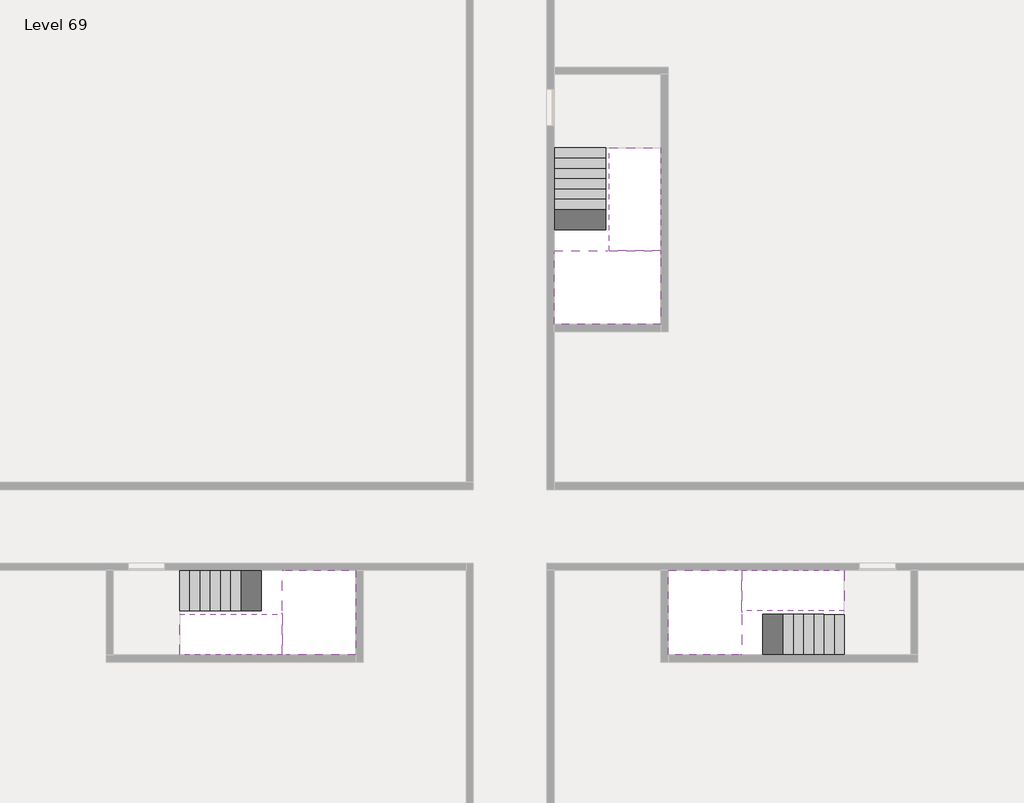
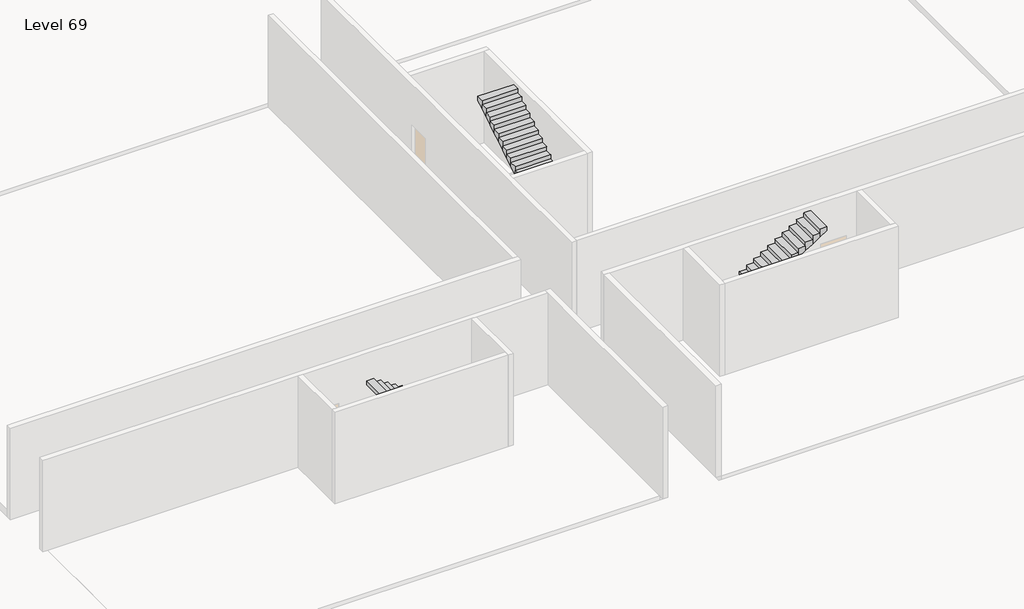
# One storey, part 2 of 2: 6 stair flights, 3 slabs.
"""IFC4 building model written with IfcOpenShell, lengths in millimetres."""

import ifcopenshell
import ifcopenshell.guid

model = None  # the IFC model being written
_history = None  # IfcOwnerHistory: only IFC2X3 demands one
_inside = {}  # id of a spatial element -> (the spatial element, [elements in it])
_under = {}  # id of a project, library or spatial element -> (it, [spatial elements below it])
_declared = {}  # id of a project -> (the project, [libraries it declares])
_typed = {}  # id of a type object -> (the type object, [elements of that type])
_made_of = {}  # id of a material, layer set ... -> (it, [elements and type objects made of it])


def new_model(schema):
    """Start an empty IFC model of exactly this schema.

    Asked for "IFC4X3", IfcOpenShell would pick the latest addendum, in which some entities
    have other attributes; the version numbers below select the first issue.
    IFC2X3 requires an IfcOwnerHistory on every rooted entity: one is made here for all.
    """
    global model, _history
    if schema == "IFC4X3":
        model = ifcopenshell.file(schema_version=(4, 3, 0, 0))
    else:
        model = ifcopenshell.file(schema=schema)
    _inside.clear()
    _under.clear()
    _declared.clear()
    _typed.clear()
    _made_of.clear()
    _history = None
    if model.schema == "IFC2X3":
        org = make("IfcOrganization", Name="unknown")
        user = make(
            "IfcPersonAndOrganization",
            ThePerson=make("IfcPerson", FamilyName="unknown"),
            TheOrganization=org,
        )
        app = make(
            "IfcApplication",
            ApplicationDeveloper=org,
            Version="unknown",
            ApplicationFullName="unknown",
            ApplicationIdentifier="unknown",
        )
        _history = make(
            "IfcOwnerHistory",
            OwningUser=user,
            OwningApplication=app,
            ChangeAction="ADDED",
            CreationDate=0,
        )
    return model


def make(cls, **values):
    """One entity of the class cls with the attributes given. An attribute that is None is left unset."""
    return model.create_entity(
        cls, **{name: value for name, value in values.items() if value is not None}
    )


def rooted(cls, **values):
    """An entity with a GlobalId (a new one), such as an element, a storey or a relation."""
    return make(cls, GlobalId=ifcopenshell.guid.new(), OwnerHistory=_history, **values)


def si_unit(unit_type, name, prefix=None):
    """IfcSIUnit, for example si_unit("LENGTHUNIT", "METRE", prefix="MILLI")."""
    return make("IfcSIUnit", UnitType=unit_type, Prefix=prefix, Name=name)


def assignment(units):
    """IfcUnitAssignment: the units of a project."""
    return None if units is None else make("IfcUnitAssignment", Units=units)


def point(xyz):
    """IfcCartesianPoint."""
    return None if xyz is None else make("IfcCartesianPoint", Coordinates=xyz)


def direction(xyz):
    """IfcDirection."""
    return None if xyz is None else make("IfcDirection", DirectionRatios=xyz)


def frame(location, z_axis=None, x_axis=None):
    """IfcAxis2Placement3D, a coordinate frame: its origin and axes. An axis left out is left unset."""
    return make(
        "IfcAxis2Placement3D",
        Location=point(location),
        Axis=direction(z_axis),
        RefDirection=direction(x_axis),
    )


def origin():
    """The frame at (0, 0, 0) with its axes left unset."""
    return frame((0.0, 0.0, 0.0))


def place(relative_to, where):
    """IfcLocalPlacement: puts the frame where relative to a parent placement (None: the world)."""
    return make(
        "IfcLocalPlacement", PlacementRelTo=relative_to, RelativePlacement=where
    )


def context(
    kind, dimensions, precision=None, world=None, true_north=None, identifier=None
):
    """IfcGeometricRepresentationContext, for example the 3D "Model" context."""
    return make(
        "IfcGeometricRepresentationContext",
        ContextIdentifier=identifier,
        ContextType=kind,
        CoordinateSpaceDimension=dimensions,
        Precision=precision,
        WorldCoordinateSystem=world,
        TrueNorth=true_north,
    )


def project(units=None, contexts=None):
    """IfcProject with its units and contexts."""
    return rooted(
        "IfcProject",
        Name="project",
        RepresentationContexts=contexts,
        UnitsInContext=assignment(units),
    )


def spatial(cls, under=None, at=None, **own):
    """A site, building, storey or space (cls), placed at a placement, below another one or the project."""
    s = rooted(cls, ObjectPlacement=at, **own)
    if under is not None:
        _under.setdefault(under.id(), (under, []))[1].append(s)
    return s


def faces_of(points, faces, orient=None, outer=None):
    """IfcFace entities. A face is a list of loops; a loop is a list of indices into points, from 0.

    orient and outer hold one flag for each loop. By default every Orientation is true, the
    first loop of a face is its IfcFaceOuterBound and the others are IfcFaceBound.
    """
    made = []
    for i, loops in enumerate(faces):
        bounds = []
        for j, loop in enumerate(loops):
            is_outer = j == 0 if outer is None else outer[i][j]
            bounds.append(
                make(
                    "IfcFaceOuterBound" if is_outer else "IfcFaceBound",
                    Bound=make("IfcPolyLoop", Polygon=[points[k] for k in loop]),
                    Orientation=True if orient is None else orient[i][j],
                )
            )
        made.append(make("IfcFace", Bounds=bounds))
    return made


def faceted_brep(points, faces, orient=None, outer=None, voids=None):
    """IfcFacetedBrep: a solid bounded by flat faces; with voids (closed shells), ...WithVoids."""
    shared = [point(p) for p in points]
    hull = make("IfcClosedShell", CfsFaces=faces_of(shared, faces, orient, outer))
    if voids is None:
        return make("IfcFacetedBrep", Outer=hull)
    return make(
        "IfcFacetedBrepWithVoids",
        Outer=hull,
        Voids=[
            make(cls, CfsFaces=faces_of(shared, fs, o, b)) for cls, fs, o, b in voids
        ],
    )


def shape(context_of_items, identifier, shape_type, items):
    """IfcShapeRepresentation: the items that make up one representation, for example the "Body"."""
    return make(
        "IfcShapeRepresentation",
        ContextOfItems=context_of_items,
        RepresentationIdentifier=identifier,
        RepresentationType=shape_type,
        Items=items,
    )


def made_of(thing, what):
    """Note that an element or type object is made of a material, layer set ...; save() writes the relation."""
    if what is not None:
        _made_of.setdefault(what.id(), (what, []))[1].append(thing)
    return thing


def element(
    cls,
    number,
    at=None,
    inside=None,
    cuts=None,
    type_object=None,
    material=None,
    context=None,
    identifier="Body",
    shape_type=None,
    held_by="IfcProductDefinitionShape",
    body=None,
    shapes=None,
    **own,
):
    """One element of the class cls, such as IfcWall. Its Tag is "e" and its number.

    at: its placement. inside: the storey or other place that contains it. cuts: it is an
    opening in that element (IfcRelVoidsElement). A single representation is given by context,
    identifier, shape_type and body (its items); several are given by shapes. held_by: the class
    of the entity that holds the representations. save() writes the other relations.
    """
    e = rooted(cls, Tag="e%d" % number, ObjectPlacement=at, **own)
    if body is not None:
        shapes = [shape(context, identifier, shape_type, body)]
    if shapes is not None:
        e.Representation = make(held_by, Representations=shapes)
    if inside is not None:
        _inside.setdefault(inside.id(), (inside, []))[1].append(e)
    if cuts is not None:
        rooted(
            "IfcRelVoidsElement", RelatingBuildingElement=cuts, RelatedOpeningElement=e
        )
    if type_object is not None:
        _typed.setdefault(type_object.id(), (type_object, []))[1].append(e)
    return made_of(e, material)


def aggregate(whole, parts):
    """IfcRelAggregates: a whole, such as a stair, and the parts it consists of."""
    return rooted("IfcRelAggregates", RelatingObject=whole, RelatedObjects=parts)


def save(model, path):
    """Write the relations noted so far, then the file.

    IfcRelAggregates (storeys below a building ...), IfcRelContainedInSpatialStructure (elements
    in a storey), IfcRelDefinesByType, IfcRelAssociatesMaterial and IfcRelDeclares: one each for
    every whole, place, type object, material and project.
    """
    for whole, parts in _under.values():
        aggregate(whole, parts)
    for where, things in _inside.values():
        rooted(
            "IfcRelContainedInSpatialStructure",
            RelatedElements=things,
            RelatingStructure=where,
        )
    for kind, things in _typed.values():
        rooted("IfcRelDefinesByType", RelatedObjects=things, RelatingType=kind)
    for what, things in _made_of.values():
        rooted("IfcRelAssociatesMaterial", RelatedObjects=things, RelatingMaterial=what)
    for by, libraries in _declared.values():
        rooted("IfcRelDeclares", RelatingContext=by, RelatedDefinitions=libraries)
    model.write(path)


model = new_model("IFC4")

# Units and contexts
model_context = context("Model", 3, world=origin())
ifc_project = project(units=[si_unit("LENGTHUNIT", "METRE", prefix="MILLI")], contexts=[model_context])

# Site, building, storey
site = spatial("IfcSite", under=ifc_project)
building = spatial("IfcBuilding", under=site)
storey = spatial("IfcBuildingStorey", under=building, Name="Level 69", Elevation=258400.0)

# Slabs
placement = place(None, origin())
element("IfcSlab", 1, at=placement, inside=storey, context=model_context, shape_type="Brep", body=[
    faceted_brep([(26790.1058784, -34218.09644, 260300.0), (25390.1058784, -34218.09644, 260300.0), (25390.1058784, -34297.4828763, 260300.0), (25390.1058784, -36218.09644, 260300.0), (28290.1058784, -36218.09644, 260300.0), (28290.1058784, -34418.7100038, 260300.0), (28290.1058784, -34218.09644, 260300.0), (26890.1058784, -34218.09644, 260300.0), (26790.1058784, -34218.09644, 260000.0), (26790.1058784, -34218.09644, 259951.0278478), (25390.1058784, -34218.09644, 259951.0278478), (25390.1058784, -34218.09644, 260127.2727273), (25390.1058784, -34297.4828763, 260000.0), (25390.1058784, -36218.09644, 260000.0), (28290.1058784, -36218.09644, 260000.0), (28290.1058784, -34418.7100038, 260000.0), (28290.1058784, -34218.09644, 260123.7551205), (26890.1058784, -34218.09644, 260123.7551205), (26890.1058784, -34218.09644, 260000.0), (26890.1058784, -34418.7100038, 260000.0), (26790.1058784, -34297.4828763, 260000.0)], [[[0, 1, 2, 3, 4, 5, 6, 7]], [[1, 0, 8, 9, 10, 11]], [[1, 11, 10, 12, 13, 3, 2]], [[4, 3, 13, 14]], [[4, 14, 15, 16, 6, 5]], [[7, 6, 16, 17]], [[0, 7, 17, 18, 8]], [[18, 19, 15, 14, 13, 12, 20, 8]], [[19, 18, 17]], [[20, 12, 10, 9]], [[8, 20, 9]], [[15, 19, 17, 16]]]),
])
element("IfcSlab", 2, at=placement, inside=storey, context=model_context, shape_type="Brep", body=[
    faceted_brep([(30490.1058784, -45218.09644, 260300.0), (30490.1058784, -44118.09644, 260300.0), (30490.1058784, -44018.09644, 260300.0), (30490.1058784, -42918.09644, 260300.0), (30289.4923146, -42918.09644, 260300.0), (28490.1058784, -42918.09644, 260300.0), (28490.1058784, -45218.09644, 260300.0), (30410.7194421, -45218.09644, 260300.0), (30490.1058784, -45218.09644, 260127.2727273), (30490.1058784, -45218.09644, 259951.0278478), (30490.1058784, -44118.09644, 259951.0278478), (30490.1058784, -44118.09644, 260000.0), (30490.1058784, -44018.09644, 260000.0), (30490.1058784, -44018.09644, 260123.7551205), (30490.1058784, -42918.09644, 260123.7551205), (30289.4923146, -42918.09644, 260000.0), (28490.1058784, -42918.09644, 260000.0), (28490.1058784, -45218.09644, 260000.0), (30410.7194421, -45218.09644, 260000.0), (30289.4923146, -44018.09644, 260000.0), (30410.7194421, -44118.09644, 260000.0)], [[[0, 1, 2, 3, 4, 5, 6, 7]], [[1, 0, 8, 9, 10, 11]], [[2, 1, 11, 12, 13]], [[3, 2, 13, 14]], [[3, 14, 15, 16, 5, 4]], [[6, 5, 16, 17]], [[9, 8, 0, 7, 6, 17, 18]], [[19, 12, 11, 20, 18, 17, 16, 15]], [[12, 19, 13]], [[18, 20, 10, 9]], [[20, 11, 10]], [[19, 15, 14, 13]]]),
])
element("IfcSlab", 3, at=placement, inside=storey, context=model_context, shape_type="Brep", body=[
    faceted_brep([(17990.1058784, -42918.09644, 260300.0), (17990.1058784, -44018.09644, 260300.0), (17990.1058784, -44118.09644, 260300.0), (17990.1058784, -45218.09644, 260300.0), (18190.7194421, -45218.09644, 260300.0), (19990.1058784, -45218.09644, 260300.0), (19990.1058784, -42918.09644, 260300.0), (18069.4923146, -42918.09644, 260300.0), (17990.1058784, -42918.09644, 260127.2727273), (17990.1058784, -42918.09644, 259951.0278478), (17990.1058784, -44018.09644, 259951.0278478), (17990.1058784, -44018.09644, 260000.0), (17990.1058784, -44118.09644, 260000.0), (17990.1058784, -44118.09644, 260123.7551205), (17990.1058784, -45218.09644, 260123.7551205), (18190.7194421, -45218.09644, 260000.0), (19990.1058784, -45218.09644, 260000.0), (19990.1058784, -42918.09644, 260000.0), (18069.4923146, -42918.09644, 260000.0), (18190.7194421, -44118.09644, 260000.0), (18069.4923146, -44018.09644, 260000.0)], [[[0, 1, 2, 3, 4, 5, 6, 7]], [[1, 0, 8, 9, 10, 11]], [[2, 1, 11, 12, 13]], [[3, 2, 13, 14]], [[3, 14, 15, 16, 5, 4]], [[6, 5, 16, 17]], [[9, 8, 0, 7, 6, 17, 18]], [[19, 12, 11, 20, 18, 17, 16, 15]], [[12, 19, 13]], [[18, 20, 10, 9]], [[20, 11, 10]], [[19, 15, 14, 13]]]),
])

# Stair flights
element("IfcStairFlight", 4, at=placement, inside=storey, context=model_context, shape_type="Brep", body=[
    faceted_brep([(26790.1058784, -31698.09644, 258572.7272727), (26790.1058784, -31418.09644, 258572.7272727), (25390.1058784, -31418.09644, 258572.7272727), (25390.1058784, -31698.09644, 258572.7272727), (26790.1058784, -31698.09644, 258400.0), (26790.1058784, -31418.09644, 258400.0), (25390.1058784, -31418.09644, 258400.0), (25390.1058784, -31698.09644, 258400.0), (26790.1058784, -31978.09644, 258745.4545455), (26790.1058784, -31698.09644, 258745.4545455), (25390.1058784, -31698.09644, 258745.4545455), (25390.1058784, -31978.09644, 258745.4545455), (26790.1058784, -31978.09644, 258569.209666), (26790.1058784, -31703.7986657, 258400.0), (25390.1058784, -31703.7986657, 258400.0), (25390.1058784, -31978.09644, 258569.209666), (26790.1058784, -32258.09644, 258918.1818182), (26790.1058784, -31978.09644, 258918.1818182), (25390.1058784, -31978.09644, 258918.1818182), (25390.1058784, -32258.09644, 258918.1818182), (26790.1058784, -32258.09644, 258741.9369387), (25390.1058784, -32258.09644, 258741.9369387), (26790.1058784, -32538.09644, 259090.9090909), (26790.1058784, -32258.09644, 259090.9090909), (25390.1058784, -32258.09644, 259090.9090909), (25390.1058784, -32538.09644, 259090.9090909), (26790.1058784, -32538.09644, 258914.6642114), (25390.1058784, -32538.09644, 258914.6642114), (26790.1058784, -32818.09644, 259263.6363636), (26790.1058784, -32538.09644, 259263.6363636), (25390.1058784, -32538.09644, 259263.6363636), (25390.1058784, -32818.09644, 259263.6363636), (26790.1058784, -32818.09644, 259087.3914841), (25390.1058784, -32818.09644, 259087.3914841), (26790.1058784, -33098.09644, 259436.3636364), (26790.1058784, -32818.09644, 259436.3636364), (25390.1058784, -32818.09644, 259436.3636364), (25390.1058784, -33098.09644, 259436.3636364), (26790.1058784, -33098.09644, 259260.1187569), (25390.1058784, -33098.09644, 259260.1187569), (26790.1058784, -33378.09644, 259609.0909091), (26790.1058784, -33098.09644, 259609.0909091), (25390.1058784, -33098.09644, 259609.0909091), (25390.1058784, -33378.09644, 259609.0909091), (26790.1058784, -33378.09644, 259432.8460296), (25390.1058784, -33378.09644, 259432.8460296), (26790.1058784, -33658.09644, 259781.8181818), (26790.1058784, -33378.09644, 259781.8181818), (25390.1058784, -33378.09644, 259781.8181818), (25390.1058784, -33658.09644, 259781.8181818), (26790.1058784, -33658.09644, 259605.5733023), (25390.1058784, -33658.09644, 259605.5733023), (26790.1058784, -33938.09644, 259954.5454545), (26790.1058784, -33658.09644, 259954.5454545), (25390.1058784, -33658.09644, 259954.5454545), (25390.1058784, -33938.09644, 259954.5454545), (26790.1058784, -33938.09644, 259778.3005751), (25390.1058784, -33938.09644, 259778.3005751), (26790.1058784, -34218.09644, 260127.2727273), (26790.1058784, -33938.09644, 260127.2727273), (25390.1058784, -33938.09644, 260127.2727273), (25390.1058784, -34218.09644, 260127.2727273), (26790.1058784, -34218.09644, 260000.0), (26790.1058784, -34218.09644, 259951.0278478), (25390.1058784, -34218.09644, 259951.0278478)], [[[0, 1, 2, 3]], [[1, 0, 4, 5]], [[2, 1, 5, 6]], [[3, 2, 6, 7]], [[8, 9, 10, 11]], [[4, 0, 9, 8, 12, 13]], [[0, 3, 10, 9]], [[3, 7, 14, 15, 11, 10]], [[16, 17, 18, 19]], [[17, 16, 20, 12, 8]], [[8, 11, 18, 17]], [[19, 18, 11, 15, 21]], [[22, 23, 24, 25]], [[23, 22, 26, 20, 16]], [[16, 19, 24, 23]], [[25, 24, 19, 21, 27]], [[28, 29, 30, 31]], [[29, 28, 32, 26, 22]], [[22, 25, 30, 29]], [[31, 30, 25, 27, 33]], [[34, 35, 36, 37]], [[35, 34, 38, 32, 28]], [[28, 31, 36, 35]], [[37, 36, 31, 33, 39]], [[40, 41, 42, 43]], [[41, 40, 44, 38, 34]], [[34, 37, 42, 41]], [[43, 42, 37, 39, 45]], [[46, 47, 48, 49]], [[47, 46, 50, 44, 40]], [[40, 43, 48, 47]], [[49, 48, 43, 45, 51]], [[52, 53, 54, 55]], [[53, 52, 56, 50, 46]], [[46, 49, 54, 53]], [[55, 54, 49, 51, 57]], [[58, 59, 60, 61]], [[59, 58, 62, 63, 56, 52]], [[52, 55, 60, 59]], [[61, 60, 55, 57, 64]], [[58, 61, 64, 63, 62]], [[5, 4, 13, 14, 7, 6]], [[14, 13, 12, 20, 26, 32, 38, 44, 50, 56, 63, 64, 57, 51, 45, 39, 33, 27, 21, 15]]]),
])
element("IfcStairFlight", 5, at=placement, inside=storey, context=model_context, shape_type="Brep", body=[
    faceted_brep([(26890.1058784, -33938.09644, 260472.7272727), (26890.1058784, -34218.09644, 260472.7272727), (28290.1058784, -34218.09644, 260472.7272727), (28290.1058784, -33938.09644, 260472.7272727), (26890.1058784, -33938.09644, 260296.4823932), (26890.1058784, -34218.09644, 260123.7551205), (28290.1058784, -34218.09644, 260123.7551205), (28290.1058784, -34218.09644, 260300.0), (28290.1058784, -33938.09644, 260296.4823932), (26890.1058784, -33658.09644, 260645.4545455), (26890.1058784, -33938.09644, 260645.4545455), (28290.1058784, -33938.09644, 260645.4545455), (28290.1058784, -33658.09644, 260645.4545455), (26890.1058784, -33658.09644, 260469.209666), (28290.1058784, -33658.09644, 260469.209666), (26890.1058784, -33378.09644, 260818.1818182), (26890.1058784, -33658.09644, 260818.1818182), (28290.1058784, -33658.09644, 260818.1818182), (28290.1058784, -33378.09644, 260818.1818182), (26890.1058784, -33378.09644, 260641.9369387), (28290.1058784, -33378.09644, 260641.9369387), (26890.1058784, -33098.09644, 260990.9090909), (26890.1058784, -33378.09644, 260990.9090909), (28290.1058784, -33378.09644, 260990.9090909), (28290.1058784, -33098.09644, 260990.9090909), (26890.1058784, -33098.09644, 260814.6642114), (28290.1058784, -33098.09644, 260814.6642114), (26890.1058784, -32818.09644, 261163.6363636), (26890.1058784, -33098.09644, 261163.6363636), (28290.1058784, -33098.09644, 261163.6363636), (28290.1058784, -32818.09644, 261163.6363636), (26890.1058784, -32818.09644, 260987.3914841), (28290.1058784, -32818.09644, 260987.3914841), (26890.1058784, -32538.09644, 261336.3636364), (26890.1058784, -32818.09644, 261336.3636364), (28290.1058784, -32818.09644, 261336.3636364), (28290.1058784, -32538.09644, 261336.3636364), (26890.1058784, -32538.09644, 261160.1187569), (28290.1058784, -32538.09644, 261160.1187569), (26890.1058784, -32258.09644, 261509.0909091), (26890.1058784, -32538.09644, 261509.0909091), (28290.1058784, -32538.09644, 261509.0909091), (28290.1058784, -32258.09644, 261509.0909091), (26890.1058784, -32258.09644, 261332.8460296), (28290.1058784, -32258.09644, 261332.8460296), (26890.1058784, -31978.09644, 261681.8181818), (26890.1058784, -32258.09644, 261681.8181818), (28290.1058784, -32258.09644, 261681.8181818), (28290.1058784, -31978.09644, 261681.8181818), (26890.1058784, -31978.09644, 261505.5733023), (28290.1058784, -31978.09644, 261505.5733023), (26890.1058784, -31698.09644, 261854.5454545), (26890.1058784, -31978.09644, 261854.5454545), (28290.1058784, -31978.09644, 261854.5454545), (28290.1058784, -31698.09644, 261854.5454545), (26890.1058784, -31698.09644, 261678.3005751), (28290.1058784, -31698.09644, 261678.3005751), (26890.1058784, -31418.09644, 262027.2727273), (26890.1058784, -31698.09644, 262027.2727273), (28290.1058784, -31698.09644, 262027.2727273), (28290.1058784, -31418.09644, 262027.2727273), (26890.1058784, -31418.09644, 261851.0278478), (28290.1058784, -31418.09644, 261851.0278478)], [[[0, 1, 2, 3]], [[1, 0, 4, 5]], [[2, 1, 5, 6, 7]], [[3, 2, 7, 6, 8]], [[9, 10, 11, 12]], [[10, 9, 13, 4, 0]], [[11, 10, 0, 3]], [[12, 11, 3, 8, 14]], [[15, 16, 17, 18]], [[16, 15, 19, 13, 9]], [[17, 16, 9, 12]], [[18, 17, 12, 14, 20]], [[21, 22, 23, 24]], [[22, 21, 25, 19, 15]], [[23, 22, 15, 18]], [[24, 23, 18, 20, 26]], [[27, 28, 29, 30]], [[28, 27, 31, 25, 21]], [[29, 28, 21, 24]], [[30, 29, 24, 26, 32]], [[33, 34, 35, 36]], [[34, 33, 37, 31, 27]], [[35, 34, 27, 30]], [[36, 35, 30, 32, 38]], [[39, 40, 41, 42]], [[40, 39, 43, 37, 33]], [[41, 40, 33, 36]], [[42, 41, 36, 38, 44]], [[45, 46, 47, 48]], [[46, 45, 49, 43, 39]], [[47, 46, 39, 42]], [[48, 47, 42, 44, 50]], [[51, 52, 53, 54]], [[52, 51, 55, 49, 45]], [[53, 52, 45, 48]], [[54, 53, 48, 50, 56]], [[57, 58, 59, 60]], [[58, 57, 61, 55, 51]], [[59, 58, 51, 54]], [[60, 59, 54, 56, 62]], [[57, 60, 62, 61]], [[5, 4, 13, 19, 25, 31, 37, 43, 49, 55, 61, 62, 56, 50, 44, 38, 32, 26, 20, 14, 8, 6]]]),
])
element("IfcStairFlight", 6, at=placement, inside=storey, context=model_context, shape_type="Brep", body=[
    faceted_brep([(33010.1058784, -45218.09644, 258572.7272727), (33290.1058784, -45218.09644, 258572.7272727), (33290.1058784, -44118.09644, 258572.7272727), (33010.1058784, -44118.09644, 258572.7272727), (33010.1058784, -45218.09644, 258400.0), (33290.1058784, -45218.09644, 258400.0), (33290.1058784, -44118.09644, 258400.0), (33010.1058784, -44118.09644, 258400.0), (32730.1058784, -45218.09644, 258745.4545455), (33010.1058784, -45218.09644, 258745.4545455), (33010.1058784, -44118.09644, 258745.4545455), (32730.1058784, -44118.09644, 258745.4545455), (32730.1058784, -45218.09644, 258569.209666), (33004.4036527, -45218.09644, 258400.0), (33004.4036527, -44118.09644, 258400.0), (32730.1058784, -44118.09644, 258569.209666), (32450.1058784, -45218.09644, 258918.1818182), (32730.1058784, -45218.09644, 258918.1818182), (32730.1058784, -44118.09644, 258918.1818182), (32450.1058784, -44118.09644, 258918.1818182), (32450.1058784, -45218.09644, 258741.9369387), (32450.1058784, -44118.09644, 258741.9369387), (32170.1058784, -45218.09644, 259090.9090909), (32450.1058784, -45218.09644, 259090.9090909), (32450.1058784, -44118.09644, 259090.9090909), (32170.1058784, -44118.09644, 259090.9090909), (32170.1058784, -45218.09644, 258914.6642114), (32170.1058784, -44118.09644, 258914.6642114), (31890.1058784, -45218.09644, 259263.6363636), (32170.1058784, -45218.09644, 259263.6363636), (32170.1058784, -44118.09644, 259263.6363636), (31890.1058784, -44118.09644, 259263.6363636), (31890.1058784, -45218.09644, 259087.3914841), (31890.1058784, -44118.09644, 259087.3914841), (31610.1058784, -45218.09644, 259436.3636364), (31890.1058784, -45218.09644, 259436.3636364), (31890.1058784, -44118.09644, 259436.3636364), (31610.1058784, -44118.09644, 259436.3636364), (31610.1058784, -45218.09644, 259260.1187569), (31610.1058784, -44118.09644, 259260.1187569), (31330.1058784, -45218.09644, 259609.0909091), (31610.1058784, -45218.09644, 259609.0909091), (31610.1058784, -44118.09644, 259609.0909091), (31330.1058784, -44118.09644, 259609.0909091), (31330.1058784, -45218.09644, 259432.8460296), (31330.1058784, -44118.09644, 259432.8460296), (31050.1058784, -45218.09644, 259781.8181818), (31330.1058784, -45218.09644, 259781.8181818), (31330.1058784, -44118.09644, 259781.8181818), (31050.1058784, -44118.09644, 259781.8181818), (31050.1058784, -45218.09644, 259605.5733023), (31050.1058784, -44118.09644, 259605.5733023), (30770.1058784, -45218.09644, 259954.5454545), (31050.1058784, -45218.09644, 259954.5454545), (31050.1058784, -44118.09644, 259954.5454545), (30770.1058784, -44118.09644, 259954.5454545), (30770.1058784, -45218.09644, 259778.3005751), (30770.1058784, -44118.09644, 259778.3005751), (30490.1058784, -45218.09644, 260127.2727273), (30770.1058784, -45218.09644, 260127.2727273), (30770.1058784, -44118.09644, 260127.2727273), (30490.1058784, -44118.09644, 260127.2727273), (30490.1058784, -45218.09644, 259951.0278478), (30490.1058784, -44118.09644, 259951.0278478), (30490.1058784, -44118.09644, 260000.0)], [[[0, 1, 2, 3]], [[1, 0, 4, 5]], [[2, 1, 5, 6]], [[3, 2, 6, 7]], [[8, 9, 10, 11]], [[4, 0, 9, 8, 12, 13]], [[0, 3, 10, 9]], [[3, 7, 14, 15, 11, 10]], [[16, 17, 18, 19]], [[17, 16, 20, 12, 8]], [[8, 11, 18, 17]], [[19, 18, 11, 15, 21]], [[22, 23, 24, 25]], [[23, 22, 26, 20, 16]], [[16, 19, 24, 23]], [[25, 24, 19, 21, 27]], [[28, 29, 30, 31]], [[29, 28, 32, 26, 22]], [[22, 25, 30, 29]], [[31, 30, 25, 27, 33]], [[34, 35, 36, 37]], [[35, 34, 38, 32, 28]], [[28, 31, 36, 35]], [[37, 36, 31, 33, 39]], [[40, 41, 42, 43]], [[41, 40, 44, 38, 34]], [[34, 37, 42, 41]], [[43, 42, 37, 39, 45]], [[46, 47, 48, 49]], [[47, 46, 50, 44, 40]], [[40, 43, 48, 47]], [[49, 48, 43, 45, 51]], [[52, 53, 54, 55]], [[53, 52, 56, 50, 46]], [[46, 49, 54, 53]], [[55, 54, 49, 51, 57]], [[58, 59, 60, 61]], [[59, 58, 62, 56, 52]], [[52, 55, 60, 59]], [[61, 60, 55, 57, 63, 64]], [[58, 61, 64, 63, 62]], [[5, 4, 13, 14, 7, 6]], [[14, 13, 12, 20, 26, 32, 38, 44, 50, 56, 62, 63, 57, 51, 45, 39, 33, 27, 21, 15]]]),
])
element("IfcStairFlight", 7, at=placement, inside=storey, context=model_context, shape_type="Brep", body=[
    faceted_brep([(30770.1058784, -42918.09644, 260472.7272727), (30490.1058784, -42918.09644, 260472.7272727), (30490.1058784, -44018.09644, 260472.7272727), (30770.1058784, -44018.09644, 260472.7272727), (30770.1058784, -42918.09644, 260296.4823932), (30490.1058784, -42918.09644, 260123.7551205), (30490.1058784, -42918.09644, 260300.0), (30490.1058784, -44018.09644, 260123.7551205), (30770.1058784, -44018.09644, 260296.4823932), (31050.1058784, -42918.09644, 260645.4545455), (30770.1058784, -42918.09644, 260645.4545455), (30770.1058784, -44018.09644, 260645.4545455), (31050.1058784, -44018.09644, 260645.4545455), (31050.1058784, -42918.09644, 260469.209666), (31050.1058784, -44018.09644, 260469.209666), (31330.1058784, -42918.09644, 260818.1818182), (31050.1058784, -42918.09644, 260818.1818182), (31050.1058784, -44018.09644, 260818.1818182), (31330.1058784, -44018.09644, 260818.1818182), (31330.1058784, -42918.09644, 260641.9369387), (31330.1058784, -44018.09644, 260641.9369387), (31610.1058784, -42918.09644, 260990.9090909), (31330.1058784, -42918.09644, 260990.9090909), (31330.1058784, -44018.09644, 260990.9090909), (31610.1058784, -44018.09644, 260990.9090909), (31610.1058784, -42918.09644, 260814.6642114), (31610.1058784, -44018.09644, 260814.6642114), (31890.1058784, -42918.09644, 261163.6363636), (31610.1058784, -42918.09644, 261163.6363636), (31610.1058784, -44018.09644, 261163.6363636), (31890.1058784, -44018.09644, 261163.6363636), (31890.1058784, -42918.09644, 260987.3914841), (31890.1058784, -44018.09644, 260987.3914841), (32170.1058784, -42918.09644, 261336.3636364), (31890.1058784, -42918.09644, 261336.3636364), (31890.1058784, -44018.09644, 261336.3636364), (32170.1058784, -44018.09644, 261336.3636364), (32170.1058784, -42918.09644, 261160.1187569), (32170.1058784, -44018.09644, 261160.1187569), (32450.1058784, -42918.09644, 261509.0909091), (32170.1058784, -42918.09644, 261509.0909091), (32170.1058784, -44018.09644, 261509.0909091), (32450.1058784, -44018.09644, 261509.0909091), (32450.1058784, -42918.09644, 261332.8460296), (32450.1058784, -44018.09644, 261332.8460296), (32730.1058784, -42918.09644, 261681.8181818), (32450.1058784, -42918.09644, 261681.8181818), (32450.1058784, -44018.09644, 261681.8181818), (32730.1058784, -44018.09644, 261681.8181818), (32730.1058784, -42918.09644, 261505.5733023), (32730.1058784, -44018.09644, 261505.5733023), (33010.1058784, -42918.09644, 261854.5454545), (32730.1058784, -42918.09644, 261854.5454545), (32730.1058784, -44018.09644, 261854.5454545), (33010.1058784, -44018.09644, 261854.5454545), (33010.1058784, -42918.09644, 261678.3005751), (33010.1058784, -44018.09644, 261678.3005751), (33290.1058784, -42918.09644, 262027.2727273), (33010.1058784, -42918.09644, 262027.2727273), (33010.1058784, -44018.09644, 262027.2727273), (33290.1058784, -44018.09644, 262027.2727273), (33290.1058784, -42918.09644, 261851.0278478), (33290.1058784, -44018.09644, 261851.0278478)], [[[0, 1, 2, 3]], [[1, 0, 4, 5, 6]], [[2, 1, 6, 5, 7]], [[3, 2, 7, 8]], [[9, 10, 11, 12]], [[10, 9, 13, 4, 0]], [[11, 10, 0, 3]], [[12, 11, 3, 8, 14]], [[15, 16, 17, 18]], [[16, 15, 19, 13, 9]], [[17, 16, 9, 12]], [[18, 17, 12, 14, 20]], [[21, 22, 23, 24]], [[22, 21, 25, 19, 15]], [[23, 22, 15, 18]], [[24, 23, 18, 20, 26]], [[27, 28, 29, 30]], [[28, 27, 31, 25, 21]], [[29, 28, 21, 24]], [[30, 29, 24, 26, 32]], [[33, 34, 35, 36]], [[34, 33, 37, 31, 27]], [[35, 34, 27, 30]], [[36, 35, 30, 32, 38]], [[39, 40, 41, 42]], [[40, 39, 43, 37, 33]], [[41, 40, 33, 36]], [[42, 41, 36, 38, 44]], [[45, 46, 47, 48]], [[46, 45, 49, 43, 39]], [[47, 46, 39, 42]], [[48, 47, 42, 44, 50]], [[51, 52, 53, 54]], [[52, 51, 55, 49, 45]], [[53, 52, 45, 48]], [[54, 53, 48, 50, 56]], [[57, 58, 59, 60]], [[58, 57, 61, 55, 51]], [[59, 58, 51, 54]], [[60, 59, 54, 56, 62]], [[57, 60, 62, 61]], [[5, 4, 13, 19, 25, 31, 37, 43, 49, 55, 61, 62, 56, 50, 44, 38, 32, 26, 20, 14, 8, 7]]]),
])
element("IfcStairFlight", 8, at=placement, inside=storey, context=model_context, shape_type="Brep", body=[
    faceted_brep([(15470.1058784, -42918.09644, 258572.7272727), (15190.1058784, -42918.09644, 258572.7272727), (15190.1058784, -44018.09644, 258572.7272727), (15470.1058784, -44018.09644, 258572.7272727), (15470.1058784, -42918.09644, 258400.0), (15190.1058784, -42918.09644, 258400.0), (15190.1058784, -44018.09644, 258400.0), (15470.1058784, -44018.09644, 258400.0), (15750.1058784, -42918.09644, 258745.4545455), (15470.1058784, -42918.09644, 258745.4545455), (15470.1058784, -44018.09644, 258745.4545455), (15750.1058784, -44018.09644, 258745.4545455), (15750.1058784, -42918.09644, 258569.209666), (15475.8081041, -42918.09644, 258400.0), (15475.8081041, -44018.09644, 258400.0), (15750.1058784, -44018.09644, 258569.209666), (16030.1058784, -42918.09644, 258918.1818182), (15750.1058784, -42918.09644, 258918.1818182), (15750.1058784, -44018.09644, 258918.1818182), (16030.1058784, -44018.09644, 258918.1818182), (16030.1058784, -42918.09644, 258741.9369387), (16030.1058784, -44018.09644, 258741.9369387), (16310.1058784, -42918.09644, 259090.9090909), (16030.1058784, -42918.09644, 259090.9090909), (16030.1058784, -44018.09644, 259090.9090909), (16310.1058784, -44018.09644, 259090.9090909), (16310.1058784, -42918.09644, 258914.6642114), (16310.1058784, -44018.09644, 258914.6642114), (16590.1058784, -42918.09644, 259263.6363636), (16310.1058784, -42918.09644, 259263.6363636), (16310.1058784, -44018.09644, 259263.6363636), (16590.1058784, -44018.09644, 259263.6363636), (16590.1058784, -42918.09644, 259087.3914841), (16590.1058784, -44018.09644, 259087.3914841), (16870.1058784, -42918.09644, 259436.3636364), (16590.1058784, -42918.09644, 259436.3636364), (16590.1058784, -44018.09644, 259436.3636364), (16870.1058784, -44018.09644, 259436.3636364), (16870.1058784, -42918.09644, 259260.1187569), (16870.1058784, -44018.09644, 259260.1187569), (17150.1058784, -42918.09644, 259609.0909091), (16870.1058784, -42918.09644, 259609.0909091), (16870.1058784, -44018.09644, 259609.0909091), (17150.1058784, -44018.09644, 259609.0909091), (17150.1058784, -42918.09644, 259432.8460296), (17150.1058784, -44018.09644, 259432.8460296), (17430.1058784, -42918.09644, 259781.8181818), (17150.1058784, -42918.09644, 259781.8181818), (17150.1058784, -44018.09644, 259781.8181818), (17430.1058784, -44018.09644, 259781.8181818), (17430.1058784, -42918.09644, 259605.5733023), (17430.1058784, -44018.09644, 259605.5733023), (17710.1058784, -42918.09644, 259954.5454545), (17430.1058784, -42918.09644, 259954.5454545), (17430.1058784, -44018.09644, 259954.5454545), (17710.1058784, -44018.09644, 259954.5454545), (17710.1058784, -42918.09644, 259778.3005751), (17710.1058784, -44018.09644, 259778.3005751), (17990.1058784, -42918.09644, 260127.2727273), (17710.1058784, -42918.09644, 260127.2727273), (17710.1058784, -44018.09644, 260127.2727273), (17990.1058784, -44018.09644, 260127.2727273), (17990.1058784, -42918.09644, 259951.0278478), (17990.1058784, -44018.09644, 259951.0278478), (17990.1058784, -44018.09644, 260000.0)], [[[0, 1, 2, 3]], [[1, 0, 4, 5]], [[2, 1, 5, 6]], [[3, 2, 6, 7]], [[8, 9, 10, 11]], [[4, 0, 9, 8, 12, 13]], [[0, 3, 10, 9]], [[3, 7, 14, 15, 11, 10]], [[16, 17, 18, 19]], [[17, 16, 20, 12, 8]], [[8, 11, 18, 17]], [[19, 18, 11, 15, 21]], [[22, 23, 24, 25]], [[23, 22, 26, 20, 16]], [[16, 19, 24, 23]], [[25, 24, 19, 21, 27]], [[28, 29, 30, 31]], [[29, 28, 32, 26, 22]], [[22, 25, 30, 29]], [[31, 30, 25, 27, 33]], [[34, 35, 36, 37]], [[35, 34, 38, 32, 28]], [[28, 31, 36, 35]], [[37, 36, 31, 33, 39]], [[40, 41, 42, 43]], [[41, 40, 44, 38, 34]], [[34, 37, 42, 41]], [[43, 42, 37, 39, 45]], [[46, 47, 48, 49]], [[47, 46, 50, 44, 40]], [[40, 43, 48, 47]], [[49, 48, 43, 45, 51]], [[52, 53, 54, 55]], [[53, 52, 56, 50, 46]], [[46, 49, 54, 53]], [[55, 54, 49, 51, 57]], [[58, 59, 60, 61]], [[59, 58, 62, 56, 52]], [[52, 55, 60, 59]], [[61, 60, 55, 57, 63, 64]], [[58, 61, 64, 63, 62]], [[5, 4, 13, 14, 7, 6]], [[14, 13, 12, 20, 26, 32, 38, 44, 50, 56, 62, 63, 57, 51, 45, 39, 33, 27, 21, 15]]]),
])
element("IfcStairFlight", 9, at=placement, inside=storey, context=model_context, shape_type="Brep", body=[
    faceted_brep([(17710.1058784, -45218.09644, 260472.7272727), (17990.1058784, -45218.09644, 260472.7272727), (17990.1058784, -44118.09644, 260472.7272727), (17710.1058784, -44118.09644, 260472.7272727), (17710.1058784, -45218.09644, 260296.4823932), (17990.1058784, -45218.09644, 260123.7551205), (17990.1058784, -45218.09644, 260300.0), (17990.1058784, -44118.09644, 260123.7551205), (17710.1058784, -44118.09644, 260296.4823932), (17430.1058784, -45218.09644, 260645.4545455), (17710.1058784, -45218.09644, 260645.4545455), (17710.1058784, -44118.09644, 260645.4545455), (17430.1058784, -44118.09644, 260645.4545455), (17430.1058784, -45218.09644, 260469.209666), (17430.1058784, -44118.09644, 260469.209666), (17150.1058784, -45218.09644, 260818.1818182), (17430.1058784, -45218.09644, 260818.1818182), (17430.1058784, -44118.09644, 260818.1818182), (17150.1058784, -44118.09644, 260818.1818182), (17150.1058784, -45218.09644, 260641.9369387), (17150.1058784, -44118.09644, 260641.9369387), (16870.1058784, -45218.09644, 260990.9090909), (17150.1058784, -45218.09644, 260990.9090909), (17150.1058784, -44118.09644, 260990.9090909), (16870.1058784, -44118.09644, 260990.9090909), (16870.1058784, -45218.09644, 260814.6642114), (16870.1058784, -44118.09644, 260814.6642114), (16590.1058784, -45218.09644, 261163.6363636), (16870.1058784, -45218.09644, 261163.6363636), (16870.1058784, -44118.09644, 261163.6363636), (16590.1058784, -44118.09644, 261163.6363636), (16590.1058784, -45218.09644, 260987.3914841), (16590.1058784, -44118.09644, 260987.3914841), (16310.1058784, -45218.09644, 261336.3636364), (16590.1058784, -45218.09644, 261336.3636364), (16590.1058784, -44118.09644, 261336.3636364), (16310.1058784, -44118.09644, 261336.3636364), (16310.1058784, -45218.09644, 261160.1187569), (16310.1058784, -44118.09644, 261160.1187569), (16030.1058784, -45218.09644, 261509.0909091), (16310.1058784, -45218.09644, 261509.0909091), (16310.1058784, -44118.09644, 261509.0909091), (16030.1058784, -44118.09644, 261509.0909091), (16030.1058784, -45218.09644, 261332.8460296), (16030.1058784, -44118.09644, 261332.8460296), (15750.1058784, -45218.09644, 261681.8181818), (16030.1058784, -45218.09644, 261681.8181818), (16030.1058784, -44118.09644, 261681.8181818), (15750.1058784, -44118.09644, 261681.8181818), (15750.1058784, -45218.09644, 261505.5733023), (15750.1058784, -44118.09644, 261505.5733023), (15470.1058784, -45218.09644, 261854.5454545), (15750.1058784, -45218.09644, 261854.5454545), (15750.1058784, -44118.09644, 261854.5454545), (15470.1058784, -44118.09644, 261854.5454545), (15470.1058784, -45218.09644, 261678.3005751), (15470.1058784, -44118.09644, 261678.3005751), (15190.1058784, -45218.09644, 262027.2727273), (15470.1058784, -45218.09644, 262027.2727273), (15470.1058784, -44118.09644, 262027.2727273), (15190.1058784, -44118.09644, 262027.2727273), (15190.1058784, -45218.09644, 261851.0278478), (15190.1058784, -44118.09644, 261851.0278478)], [[[0, 1, 2, 3]], [[1, 0, 4, 5, 6]], [[2, 1, 6, 5, 7]], [[3, 2, 7, 8]], [[9, 10, 11, 12]], [[10, 9, 13, 4, 0]], [[11, 10, 0, 3]], [[12, 11, 3, 8, 14]], [[15, 16, 17, 18]], [[16, 15, 19, 13, 9]], [[17, 16, 9, 12]], [[18, 17, 12, 14, 20]], [[21, 22, 23, 24]], [[22, 21, 25, 19, 15]], [[23, 22, 15, 18]], [[24, 23, 18, 20, 26]], [[27, 28, 29, 30]], [[28, 27, 31, 25, 21]], [[29, 28, 21, 24]], [[30, 29, 24, 26, 32]], [[33, 34, 35, 36]], [[34, 33, 37, 31, 27]], [[35, 34, 27, 30]], [[36, 35, 30, 32, 38]], [[39, 40, 41, 42]], [[40, 39, 43, 37, 33]], [[41, 40, 33, 36]], [[42, 41, 36, 38, 44]], [[45, 46, 47, 48]], [[46, 45, 49, 43, 39]], [[47, 46, 39, 42]], [[48, 47, 42, 44, 50]], [[51, 52, 53, 54]], [[52, 51, 55, 49, 45]], [[53, 52, 45, 48]], [[54, 53, 48, 50, 56]], [[57, 58, 59, 60]], [[58, 57, 61, 55, 51]], [[59, 58, 51, 54]], [[60, 59, 54, 56, 62]], [[57, 60, 62, 61]], [[5, 4, 13, 19, 25, 31, 37, 43, 49, 55, 61, 62, 56, 50, 44, 38, 32, 26, 20, 14, 8, 7]]]),
])

save(model, "model.ifc")
